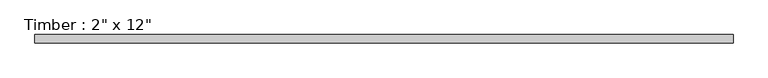
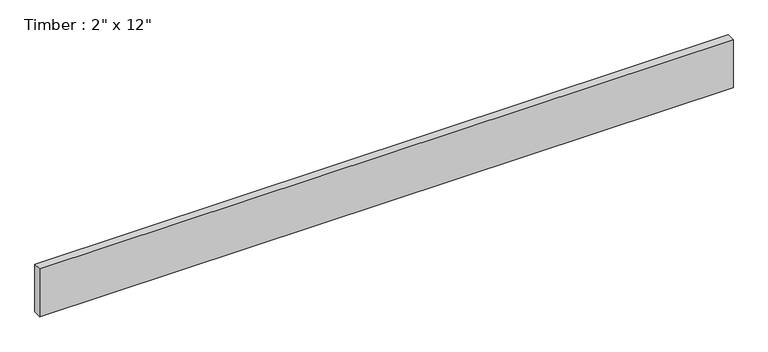
"""IFC4 building model written with IfcOpenShell, lengths in millimetres: beam geometry."""

from ifc_helpers import new_model, si_unit, frame, origin, place, context, project, spatial, polyline, outline, extrude, source, transform, mapped, element, save


def beam_cf2aa95a(model_context):
    return source(origin(), model_context, "Body", "SweptSolid", [
        extrude(outline(polyline([(2083.164637, 25.4), (2083.164637, -25.4), (-2093.2310765, -25.4), (-2093.2310765, 25.4), (2083.164637, 25.4)])), frame((0.0, 0.0, -152.4), z_axis=(0.0, 0.0, 1.0), x_axis=(1.0, 0.0, 0.0)), (0.0, 0.0, 1.0), 304.8),
    ])


if __name__ == "__main__":
    model = new_model("IFC4")
    model_context = context("Model", 3, world=origin())
    ifc_project = project(units=[si_unit("LENGTHUNIT", "METRE", prefix="MILLI")], contexts=[model_context])
    site = spatial("IfcSite", under=ifc_project)
    building = spatial("IfcBuilding", under=site)
    placement = place(None, origin())
    beam_shape = beam_cf2aa95a(model_context)
    element("IfcBeam", 1, ObjectType="Timber : 2\" x 12\"", at=placement, inside=building, context=model_context, shape_type="MappedRepresentation", body=[
        mapped(beam_shape, transform((0.0, 0.0, 0.0), x_axis=(1.0, 0.0, 0.0), y_axis=(0.0, 1.0, 0.0), z_axis=(0.0, 0.0, 1.0))),
    ])
    save(model, "model.ifc")
